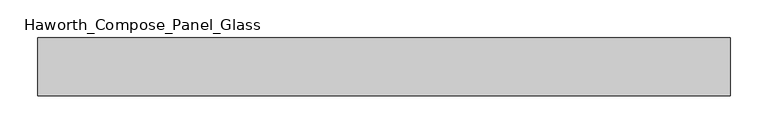
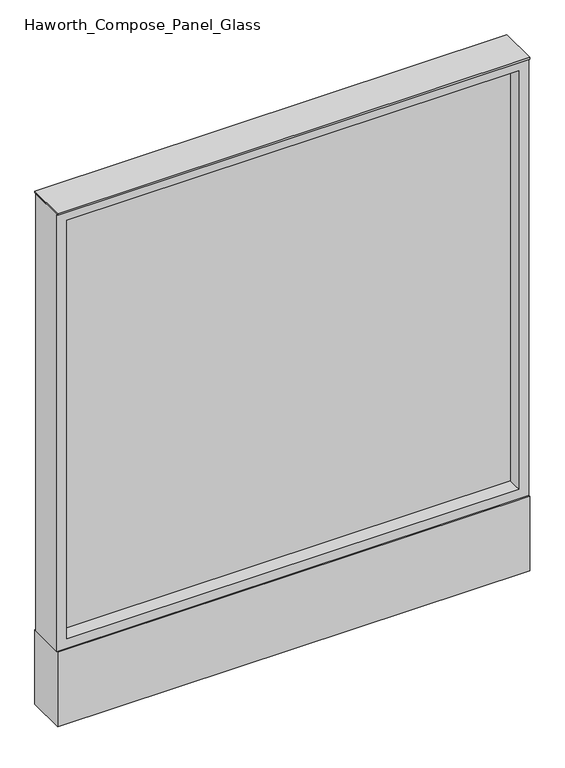
"""IFC4 building model written with IfcOpenShell, lengths in millimetres: furniture geometry, Haworth_Compose_Panel_Glass."""

from ifc_helpers import new_model, si_unit, point, frame, frame_2d, origin, origin_with_axes, place, context, project, spatial, polyline, circle_curve, trimmed, segment, composite_curve, outline, extrude, source, transform, mapped, element, save


def haworth_compose_panel_glass_57f00d63(model_context):
    return source(origin(), model_context, "Body", "SweptSolid", [
        extrude(outline(composite_curve([segment(trimmed(circle_curve(frame_2d((383.4402902, 0.0)), 12.7), [point((370.7402902, 0.0))], [point((396.1402902, 0.0))], False, "CARTESIAN"), True, "CONTINUOUS"), segment(trimmed(circle_curve(frame_2d((383.4402902, 0.0)), 12.7), [point((396.1402902, 0.0))], [point((370.7402902, 0.0))], False, "CARTESIAN"), True, "CONTINUOUS")], self_intersect=False)), origin_with_axes(), (0.0, 0.0, 1.0), 12.7),
        extrude(outline(composite_curve([segment(trimmed(circle_curve(frame_2d((-378.5597098, 0.0)), 12.7), [point((-391.2597098, 0.0))], [point((-365.8597098, 0.0))], False, "CARTESIAN"), True, "CONTINUOUS"), segment(trimmed(circle_curve(frame_2d((-378.5597098, 0.0)), 12.7), [point((-365.8597098, 0.0))], [point((-391.2597098, 0.0))], False, "CARTESIAN"), True, "CONTINUOUS")], self_intersect=False)), origin_with_axes(), (0.0, 0.0, 1.0), 12.7),
        extrude(outline(polyline([(440.5902902, -6.35), (-435.7097098, -6.35), (-435.7097098, 6.35), (440.5902902, 6.35), (440.5902902, -6.35)])), frame((0.0, 0.0, 184.15), z_axis=(0.0, 0.0, 1.0), x_axis=(1.0, 0.0, 0.0)), (0.0, 0.0, 1.0), 857.25),
        extrude(outline(polyline([(1060.45, -454.7597098), (165.1, -454.7597098), (165.1, 459.6402902), (1060.45, 459.6402902), (1060.45, -454.7597098)]), holes=[polyline([(1041.4, 440.5902902), (184.15, 440.5902902), (184.15, -435.7097098), (1041.4, -435.7097098), (1041.4, 440.5902902)])]), frame((0.0, -34.925, 0.0), z_axis=(0.0, 1.0, 0.0), x_axis=(0.0, 0.0, 1.0)), (0.0, 0.0, 1.0), 69.85),
        extrude(outline(polyline([(-454.7597098, 38.1), (459.6402902, 38.1), (459.6402902, -38.1), (-454.7597098, -38.1), (-454.7597098, 38.1)])), frame((0.0, 0.0, 12.7), z_axis=(0.0, 0.0, 1.0), x_axis=(1.0, 0.0, 0.0)), (0.0, 0.0, 1.0), 152.4),
        extrude(outline(polyline([(-454.7597098, -38.1), (-454.7597098, 38.1), (459.6402902, 38.1), (459.6402902, -38.1), (-454.7597098, -38.1)])), frame((0.0, 0.0, 1060.45), z_axis=(0.0, 0.0, 1.0), x_axis=(1.0, 0.0, 0.0)), (0.0, 0.0, 1.0), 3.175),
    ])


if __name__ == "__main__":
    model = new_model("IFC4")
    model_context = context("Model", 3, world=origin())
    ifc_project = project(units=[si_unit("LENGTHUNIT", "METRE", prefix="MILLI")], contexts=[model_context])
    site = spatial("IfcSite", under=ifc_project)
    building = spatial("IfcBuilding", under=site)
    placement = place(None, origin())
    haworth_compose_panel_glass_shape = haworth_compose_panel_glass_57f00d63(model_context)
    element("IfcFurniture", 1, ObjectType="Haworth_Compose_Panel_Glass", at=placement, inside=building, context=model_context, shape_type="MappedRepresentation", body=[
        mapped(haworth_compose_panel_glass_shape, transform((0.0, 0.0, 0.0), x_axis=(1.0, 0.0, 0.0), y_axis=(0.0, 1.0, 0.0), z_axis=(0.0, 0.0, 1.0))),
    ])
    save(model, "model.ifc")
